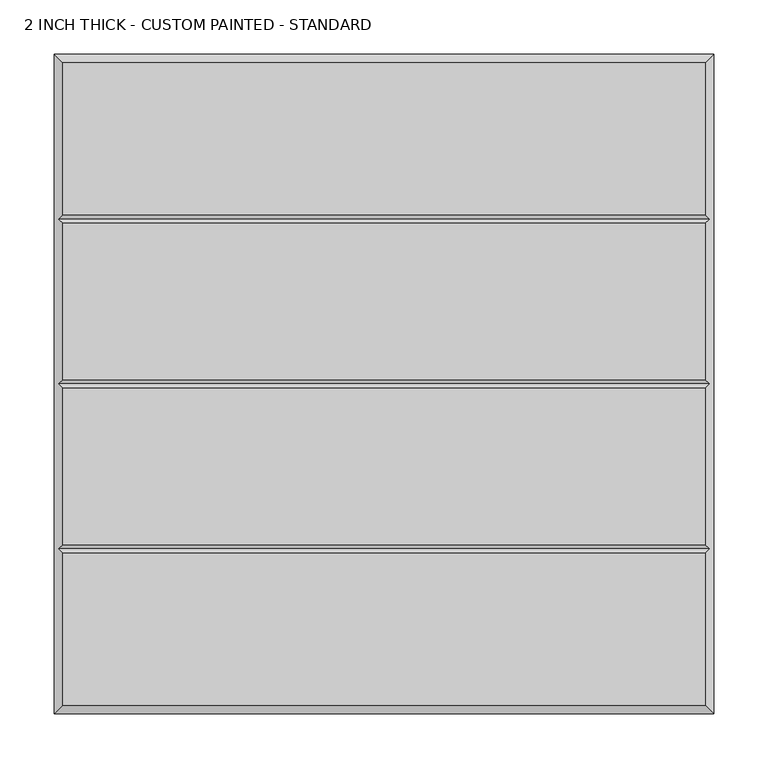
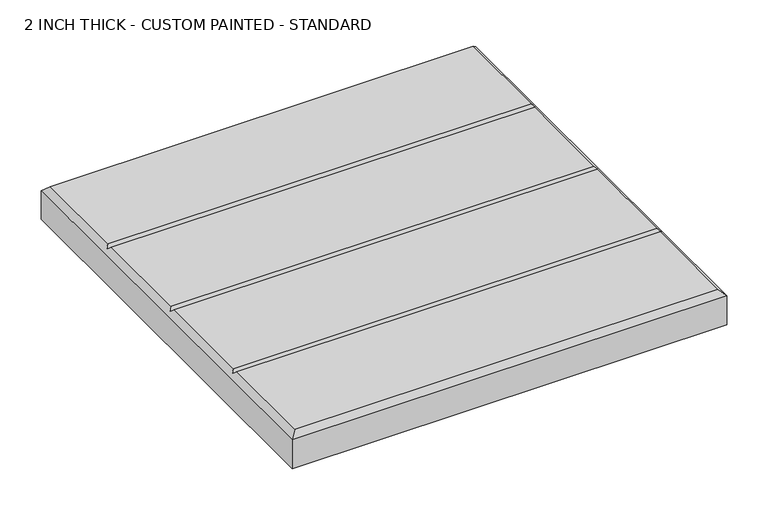
"""IFC4 building model written with IfcOpenShell, lengths in millimetres: proxy geometry, 2 INCH THICK - CUSTOM PAINTED - STANDARD."""

from ifc_helpers import new_model, si_unit, origin, place, context, project, spatial, faceted_brep, source, transform, mapped, element, save


def proxy_2_inch_thick_custom_painted_standard_1bae5338(model_context):
    return source(origin(), model_context, "Body", "Brep", [
        faceted_brep([(296.799, 296.799, 50.8), (-296.799, 296.799, 50.8), (-296.799, 156.4005254, 50.8), (296.799, 156.4005254, 50.8), (-296.799, -296.799, 50.8), (296.799, -296.799, 50.8), (296.799, -156.4004746, 50.8), (-296.799, -156.4004746, 50.8), (296.799, 148.3995254, 50.8), (-296.799, 148.3995254, 50.8), (-296.799, 4.0005, 50.8), (296.799, 4.0005, 50.8), (296.799, -4.0005, 50.8), (-296.799, -4.0005, 50.8), (-296.799, -148.3994746, 50.8), (296.799, -148.3994746, 50.8), (-304.8, 304.8, 0.0), (304.8, 304.8, 0.0), (304.8, -304.8, 0.0), (-304.8, -304.8, 0.0), (-304.8, -304.8, 42.799), (-304.8, 304.8, 42.799), (304.8, -304.8, 42.799), (304.8, 304.8, 42.799), (-300.7995, -152.3999746, 46.7995), (-300.7995, 0.0, 46.7995), (-300.7995, 152.4000254, 46.7995), (300.7995, 152.4000254, 46.7995), (300.7995, 0.0, 46.7995), (300.7995, -152.3999746, 46.7995)], [[[0, 1, 2, 3]], [[4, 5, 6, 7]], [[8, 9, 10, 11]], [[12, 13, 14, 15]], [[16, 17, 18, 19]], [[16, 19, 20, 21]], [[19, 18, 22, 20]], [[18, 17, 23, 22]], [[17, 16, 21, 23]], [[21, 1, 0, 23]], [[1, 21, 20, 4, 7, 24, 14, 13, 25, 10, 9, 26, 2]], [[4, 20, 22, 5]], [[23, 0, 3, 27, 8, 11, 28, 12, 15, 29, 6, 5, 22]], [[27, 26, 9, 8]], [[26, 27, 3, 2]], [[28, 25, 13, 12]], [[25, 28, 11, 10]], [[29, 24, 7, 6]], [[24, 29, 15, 14]]]),
    ])


if __name__ == "__main__":
    model = new_model("IFC4")
    model_context = context("Model", 3, world=origin())
    ifc_project = project(units=[si_unit("LENGTHUNIT", "METRE", prefix="MILLI")], contexts=[model_context])
    site = spatial("IfcSite", under=ifc_project)
    building = spatial("IfcBuilding", under=site)
    placement = place(None, origin())
    proxy_2_inch_thick_custom_painted_standard_shape = proxy_2_inch_thick_custom_painted_standard_1bae5338(model_context)
    element("IfcBuildingElementProxy", 1, Name="2 INCH THICK - CUSTOM PAINTED - STANDARD", ObjectType="2 INCH THICK - CUSTOM PAINTED - STANDARD", at=placement, inside=building, context=model_context, shape_type="MappedRepresentation", body=[
        mapped(proxy_2_inch_thick_custom_painted_standard_shape, transform((0.0, 0.0, 0.0), x_axis=(1.0, 0.0, 0.0), y_axis=(0.0, 1.0, 0.0), z_axis=(0.0, 0.0, 1.0))),
    ])
    save(model, "model.ifc")
